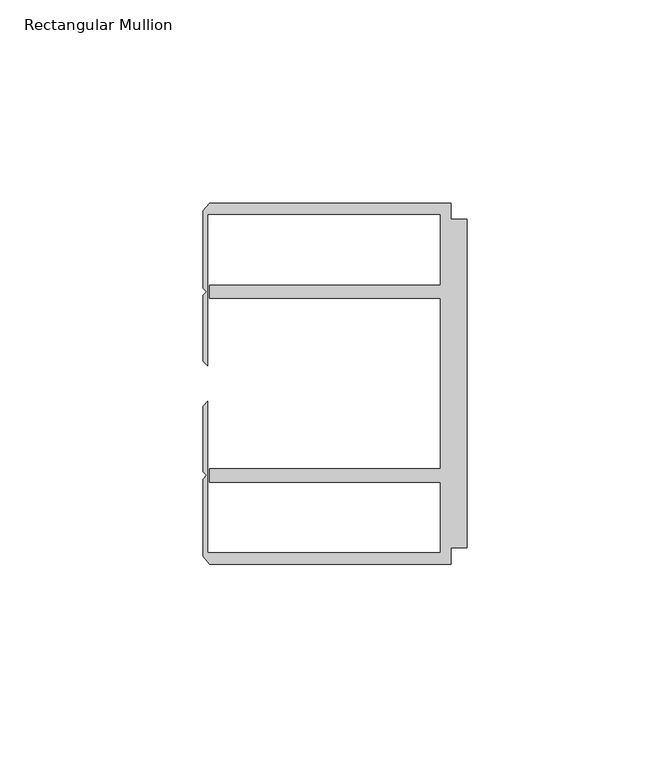
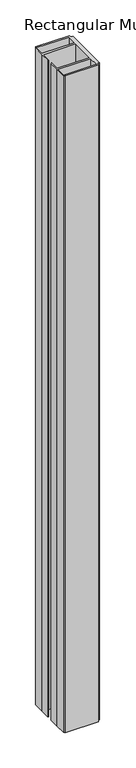
"""IFC4 building model written with IfcOpenShell, lengths in millimetres: member geometry, Rectangular Mullion."""

from ifc_helpers import new_model, si_unit, frame, origin, place, context, project, spatial, polyline, outline, extrude, source, transform, mapped, element, save


def rectangular_mullion_05f1dc01(model_context):
    return source(origin(), model_context, "Body", "SweptSolid", [
        extrude(outline(polyline([(-4.0000001, 44.45), (-4.0000001, 40.4500013), (0.0, 40.4500013), (0.0, -40.4500013), (-4.0000001, -40.4500013), (-4.0000001, -44.45), (-63.5, -44.45), (-65.0875, -42.5778955), (-65.0875, -23.53206), (-64.1791674, -22.6237274), (-65.0875, -21.7153948), (-65.0875, -5.55625), (-63.9424102, -4.4111602), (-63.9424102, -41.6500013), (-6.6000002, -41.6500013), (-6.6000002, -24.2500008), (-63.5, -24.2500008), (-63.5, -20.9500007), (-6.6000002, -20.9500007), (-6.6000002, 20.9500007), (-63.5, 20.9500007), (-63.5, 24.2500008), (-6.6000002, 24.2500008), (-6.6000002, 41.6500013), (-63.9424102, 41.6500013), (-63.9424102, 4.4111602), (-65.0875, 5.55625), (-65.0875, 21.7153948), (-64.1791674, 22.6237274), (-65.0875, 23.53206), (-65.0875, 42.5778955), (-63.5, 44.45), (-4.0000001, 44.45)])), frame((0.0, 0.0, -1219.2), z_axis=(0.0, 0.0, 1.0), x_axis=(1.0, 0.0, 0.0)), (0.0, 0.0, 1.0), 1219.2),
    ])


if __name__ == "__main__":
    model = new_model("IFC4")
    model_context = context("Model", 3, world=origin())
    ifc_project = project(units=[si_unit("LENGTHUNIT", "METRE", prefix="MILLI")], contexts=[model_context])
    site = spatial("IfcSite", under=ifc_project)
    building = spatial("IfcBuilding", under=site)
    placement = place(None, origin())
    rectangular_mullion_shape = rectangular_mullion_05f1dc01(model_context)
    element("IfcMember", 1, ObjectType="Rectangular Mullion", at=placement, inside=building, context=model_context, shape_type="MappedRepresentation", body=[
        mapped(rectangular_mullion_shape, transform((0.0, 0.0, 0.0), x_axis=(1.0, 0.0, 0.0), y_axis=(0.0, 1.0, 0.0), z_axis=(0.0, 0.0, 1.0))),
    ])
    save(model, "model.ifc")
